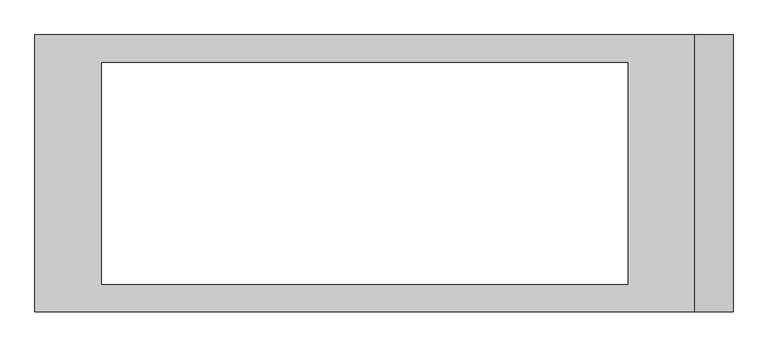
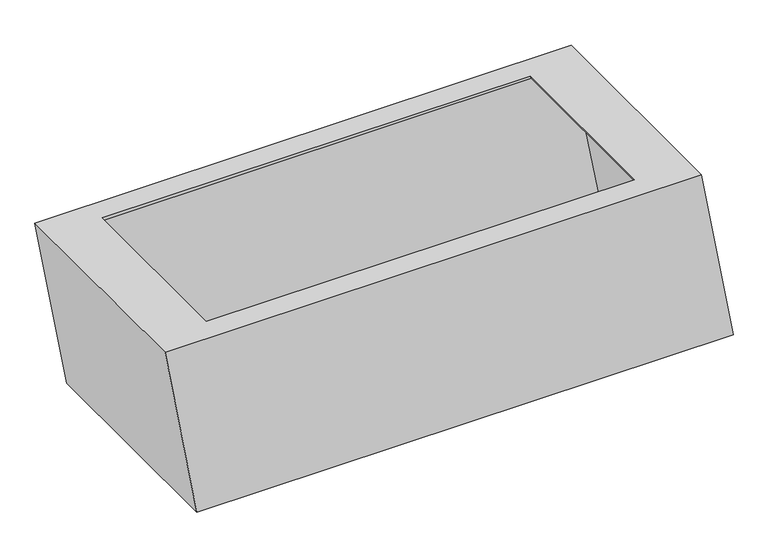
"""IFC4 building model written with IfcOpenShell, lengths in millimetres: furniture geometry."""

from ifc_helpers import new_model, si_unit, origin, place, context, project, spatial, faceted_brep, source, transform, mapped, element, save


def furniture_35016444(model_context):
    return source(origin(), model_context, "Body", "Brep", [
        faceted_brep([(-665.5307923, -249.9999633, 400.0), (524.4692077, -249.9999633, 400.0), (524.4692077, 250.0000367, 400.0), (-665.5307923, 250.0000367, 400.0), (404.8599588, -199.9999633, 400.0), (-545.0, -199.9999633, 400.0), (-545.0, 199.9999633, 400.0), (404.8599588, 199.9999633, 400.0), (-595.0, -250.0, 0.0), (-595.0, 250.0000367, 0.0), (595.0, 250.0000367, 0.0), (595.0, -250.0, 0.0), (-545.0, -199.9999633, 0.0), (545.0, -199.9999633, 0.0), (545.0, 199.9999633, 0.0), (-545.0, 199.9999633, 0.0), (-660.0, -243.9999633, 394.0), (-660.0, 243.9999633, 394.0), (515.9173492, 243.9999633, 394.0), (515.9173492, -243.9999633, 394.0), (-545.0, -199.9999633, 394.0), (406.9620594, -199.9999633, 394.0), (406.9620594, 199.9999633, 394.0), (-545.0, 199.9999633, 394.0), (-589.2341976, -243.9999633, 6.0), (587.4751393, -243.9999633, 6.0), (587.4751393, 243.9999633, 6.0), (-589.2341976, 243.9999633, 6.0), (542.8978994, -199.9999633, 6.0), (-545.0, -199.9999633, 6.0), (-545.0, 199.9999633, 6.0), (542.8978994, 199.9999633, 6.0)], [[[0, 1, 2, 3], [4, 5, 6, 7]], [[8, 9, 10, 11], [12, 13, 14, 15]], [[1, 0, 8, 11]], [[2, 1, 11, 10]], [[3, 2, 10, 9]], [[0, 3, 9, 8]], [[16, 17, 18, 19], [20, 21, 22, 23]], [[24, 25, 26, 27], [28, 29, 30, 31]], [[16, 19, 25, 24]], [[19, 18, 26, 25]], [[18, 17, 27, 26]], [[17, 16, 24, 27]], [[20, 5, 4, 21]], [[12, 29, 28, 13]], [[21, 4, 7, 22]], [[13, 28, 31, 14]], [[22, 7, 6, 23]], [[14, 31, 30, 15]], [[5, 20, 23, 6]], [[29, 12, 15, 30]]]),
    ])


if __name__ == "__main__":
    model = new_model("IFC4")
    model_context = context("Model", 3, world=origin())
    ifc_project = project(units=[si_unit("LENGTHUNIT", "METRE", prefix="MILLI")], contexts=[model_context])
    site = spatial("IfcSite", under=ifc_project)
    building = spatial("IfcBuilding", under=site)
    placement = place(None, origin())
    furniture_shape = furniture_35016444(model_context)
    element("IfcFurniture", 1, at=placement, inside=building, context=model_context, shape_type="MappedRepresentation", body=[
        mapped(furniture_shape, transform((0.0, 0.0, 0.0), x_axis=(1.0, 0.0, 0.0), y_axis=(0.0, 1.0, 0.0), z_axis=(0.0, 0.0, 1.0))),
    ])
    save(model, "model.ifc")
